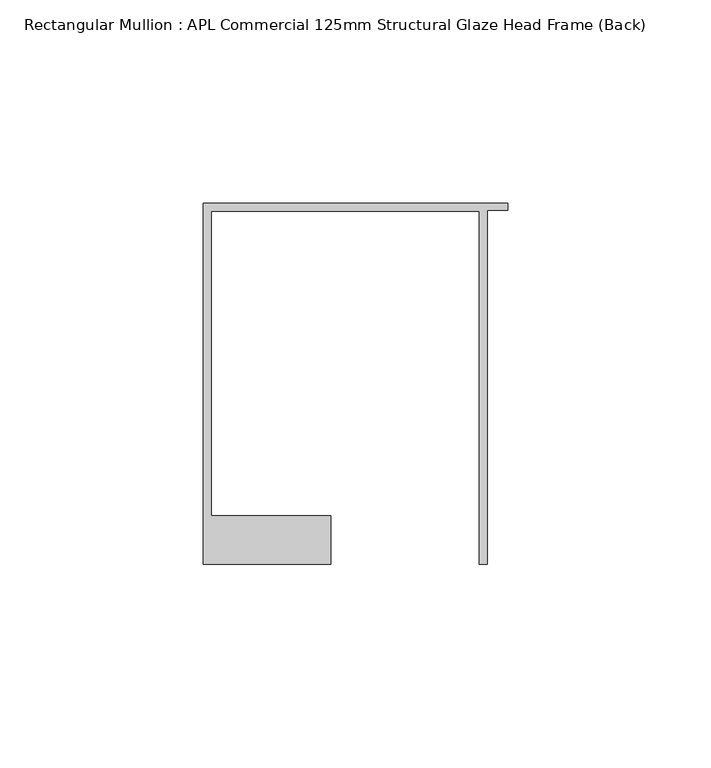
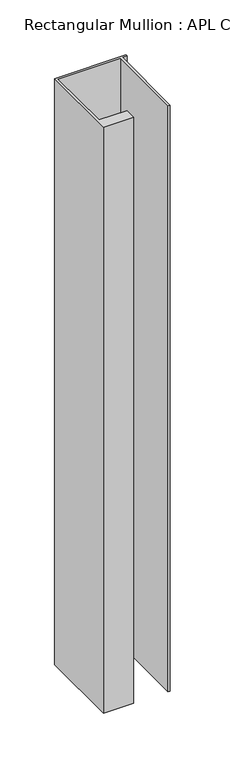
"""IFC4 building model written with IfcOpenShell, lengths in millimetres: member geometry, Rectangular Mullion : APL Commercial 125mm Structural Glaze Head Frame (Back)."""

from ifc_helpers import new_model, si_unit, frame, origin, place, context, project, spatial, polyline, outline, extrude, source, transform, mapped, element, save


def rectangular_mullion_apl_commercial_125mm_structural_glaze_27f6ee55(model_context):
    return source(origin(), model_context, "Body", "SweptSolid", [
        extrude(outline(polyline([(-75.0, 103.9993063), (0.0, 103.9993063), (0.0, 102.1993063), (-5.0, 102.1993063), (-5.0, 14.9998342), (-7.0, 14.9998342), (-7.0, 101.9993063), (-73.0, 101.9993063), (-73.0, 26.9997514), (-43.5000151, 26.9997514), (-43.5000151, 14.9998342), (-75.0, 14.9998342), (-75.0, 103.9993063)])), frame((0.0, 0.0, -651.1972403), z_axis=(0.0, 0.0, 1.0), x_axis=(1.0, 0.0, 0.0)), (0.0, 0.0, 1.0), 651.1972403),
    ])


if __name__ == "__main__":
    model = new_model("IFC4")
    model_context = context("Model", 3, world=origin())
    ifc_project = project(units=[si_unit("LENGTHUNIT", "METRE", prefix="MILLI")], contexts=[model_context])
    site = spatial("IfcSite", under=ifc_project)
    building = spatial("IfcBuilding", under=site)
    placement = place(None, origin())
    rectangular_mullion_apl_commercial_125mm_structural_glaze_shape = rectangular_mullion_apl_commercial_125mm_structural_glaze_27f6ee55(model_context)
    element("IfcMember", 1, ObjectType="Rectangular Mullion : APL Commercial 125mm Structural Glaze Head Frame (Back)", at=placement, inside=building, context=model_context, shape_type="MappedRepresentation", body=[
        mapped(rectangular_mullion_apl_commercial_125mm_structural_glaze_shape, transform((0.0, 0.0, 0.0), x_axis=(1.0, 0.0, 0.0), y_axis=(0.0, 1.0, 0.0), z_axis=(0.0, 0.0, 1.0))),
    ])
    save(model, "model.ifc")
